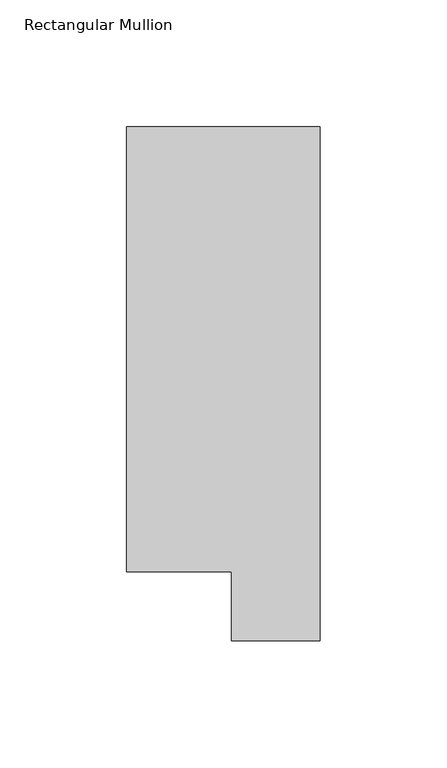
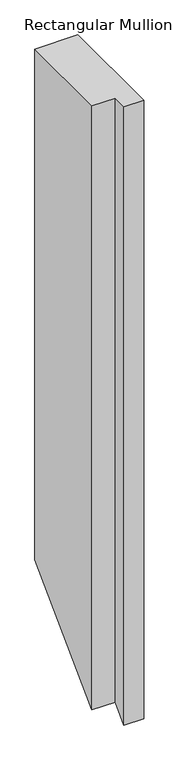
"""IFC4 building model written with IfcOpenShell, lengths in millimetres: member geometry, Rectangular Mullion."""

from ifc_helpers import new_model, si_unit, origin, place, context, project, spatial, faceted_brep, source, transform, mapped, element, save


def rectangular_mullion_d7089ac7(model_context):
    return source(origin(), model_context, "Body", "Brep", [
        faceted_brep([(0.0, 222.0301312, 0.0), (-76.2, 222.0301312, 0.0), (-76.2, 46.7447302, 0.0), (-34.9123, 46.7447302, 0.0), (-34.9123, 19.5667312, 0.0), (0.0, 19.5667312, 0.0), (0.0, 222.0301312, -959.3892916), (-76.2, 222.0301312, -959.3892916), (-76.2, 46.7447302, -1134.6746927), (-34.9123, 46.7447302, -1134.6746927), (-34.9123, 19.5667312, -1161.8526916), (0.0, 19.5667312, -1161.8526916)], [[[0, 1, 2, 3, 4, 5]], [[1, 0, 6, 7]], [[2, 1, 7, 8]], [[3, 2, 8, 9]], [[4, 3, 9, 10]], [[5, 4, 10, 11]], [[0, 5, 11, 6]], [[6, 11, 10, 9, 8, 7]]]),
    ])


if __name__ == "__main__":
    model = new_model("IFC4")
    model_context = context("Model", 3, world=origin())
    ifc_project = project(units=[si_unit("LENGTHUNIT", "METRE", prefix="MILLI")], contexts=[model_context])
    site = spatial("IfcSite", under=ifc_project)
    building = spatial("IfcBuilding", under=site)
    placement = place(None, origin())
    rectangular_mullion_shape = rectangular_mullion_d7089ac7(model_context)
    element("IfcMember", 1, ObjectType="Rectangular Mullion", at=placement, inside=building, context=model_context, shape_type="MappedRepresentation", body=[
        mapped(rectangular_mullion_shape, transform((0.0, 0.0, 0.0), x_axis=(1.0, 0.0, 0.0), y_axis=(0.0, 1.0, 0.0), z_axis=(0.0, 0.0, 1.0))),
    ])
    save(model, "model.ifc")
